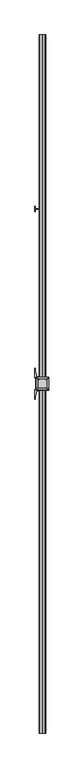
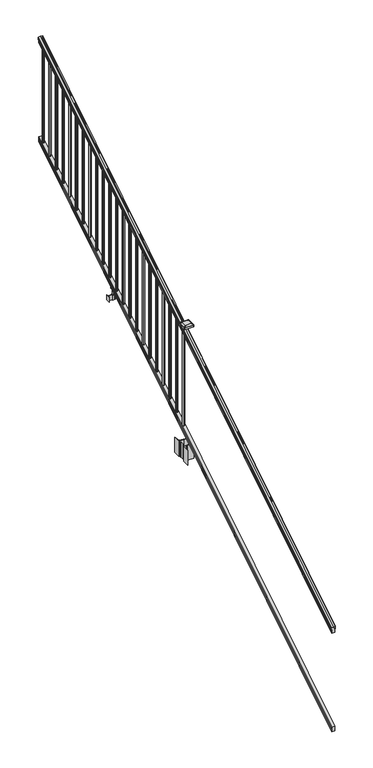
"""IFC4 building model written with IfcOpenShell, lengths in millimetres: railing geometry."""

from ifc_helpers import new_model, si_unit, point, frame, frame_2d, origin, place, context, project, spatial, polyline, circle_curve, ellipse_curve, trimmed, segment, composite_curve, outline, extrude, faceted_brep, source, transform, mapped, element, save
from ifc_brep_helpers import plane_surface, cylinder_surface, revolved_surface, extruded_surface, advanced_brep


def railing_99fd5044(model_context):
    return source(origin(), model_context, "Body", "SolidModel", [
        advanced_brep(
        [(11261.7130321, -22300.2194681, 1285.6070492), (11261.7130321, -22300.2194681, 1287.8335658), (11262.8432184, -22300.2194681, 1289.6758543), (11262.8432184, -22300.2194681, 1298.1876358), (11262.193962, -22300.2194681, 1301.0572588), (11264.693962, -22300.2194681, 1306.1635509), (11266.1033045, -22300.2194681, 1308.1442021), (11266.5052035, -22300.2194681, 1309.4469579), (11266.5052034, -22300.2194681, 1311.0274846), (11264.9517561, -22300.2194681, 1312.8593836), (11244.2802034, -22300.2194681, 1312.8593836), (11223.6086506, -22300.2194681, 1312.8593836), (11222.0552034, -22300.2194681, 1311.0274846), (11222.0552034, -22300.2194681, 1309.4469579), (11222.4571023, -22300.2194681, 1308.1442021), (11223.8664447, -22300.2194681, 1306.1635509), (11226.3664447, -22300.2194681, 1301.0572588), (11225.7171883, -22300.2194681, 1298.1876358), (11225.7171883, -22300.2194681, 1289.6758543), (11226.8473746, -22300.2194681, 1287.8335658), (11226.8473746, -22300.2194681, 1285.6070492), (11229.4212034, -22300.2194681, 1285.6070492), (11229.4212034, -22300.2194681, 1273.225537), (11228.4052034, -22300.2194681, 1272.0274214), (11228.4052034, -22300.2194681, 1257.3), (11260.1552034, -22300.2194681, 1257.3), (11260.1552034, -22300.2194681, 1271.841318), (11259.1392034, -22300.2194681, 1273.0394336), (11259.1392034, -22300.2194681, 1285.6070492), (11261.7130321, -17423.4194681, 4333.6070492), (11259.1392034, -17423.4194681, 4333.6070492), (11259.1392034, -17423.4194681, 4321.0394336), (11260.1552034, -17423.4194681, 4319.841318), (11260.1552034, -17423.4194681, 4305.3), (11228.4052034, -17423.4194681, 4305.3), (11228.4052034, -17423.4194681, 4320.0274214), (11229.4212034, -17423.4194681, 4321.225537), (11229.4212034, -17423.4194681, 4333.6070492), (11226.8473746, -17423.4194681, 4333.6070492), (11226.8473746, -17423.4194681, 4335.8335658), (11225.7171883, -17423.4194681, 4337.6758543), (11225.7171883, -17423.4194681, 4346.1876358), (11226.3664447, -17423.4194681, 4349.0572588), (11223.8664447, -17423.4194681, 4354.1635509), (11222.4571023, -17423.4194681, 4356.1442021), (11222.0552033, -17423.4194681, 4357.4469579), (11222.0552034, -17423.4194681, 4359.0274846), (11223.6086506, -17423.4194681, 4360.8593836), (11244.2802034, -17423.4194681, 4360.8593836), (11264.9517561, -17423.4194681, 4360.8593836), (11266.5052034, -17423.4194681, 4359.0274846), (11266.5052034, -17423.4194681, 4357.4469579), (11266.1033045, -17423.4194681, 4356.1442021), (11264.693962, -17423.4194681, 4354.1635509), (11262.193962, -17423.4194681, 4349.0572588), (11262.8432184, -17423.4194681, 4346.1876358), (11262.8432184, -17423.4194681, 4337.6758543), (11261.7130321, -17423.4194681, 4335.8335658)],
        [
            (0, 1),
            (1, 2, ellipse_curve(frame((11255.3982788, -22300.2194681, 1294.6239405), z_axis=(0.0, -1.0, 0.0), x_axis=(0.0, 0.0, -1.0)), 10.0777926, 8.545951)),
            (2, 3, ellipse_curve(frame((11255.8353418, -22300.2194681, 1293.9317451), z_axis=(0.0, -1.0, 0.0), x_axis=(0.0, 0.0, -1.0)), 9.2955186, 7.882584)),
            (3, 4, ellipse_curve(frame((11266.3486659, -22300.2194681, 1300.8275077), z_axis=(0.0, 1.0, 0.0), x_axis=(0.0, 0.0, 1.0)), 4.9048088, 4.1592695)),
            (4, 5, ellipse_curve(frame((11267.6359725, -22300.2194681, 1300.7563208), z_axis=(0.0, 1.0, 0.0), x_axis=(0.0, 0.0, 1.0)), 6.4245301, 5.4479907)),
            (5, 6, ellipse_curve(frame((11266.402814, -22300.2194681, 1306.1602333), z_axis=(0.0, 1.0, 0.0), x_axis=(0.0, 0.0, 1.0)), 2.0151625, 1.7088543)),
            (6, 7, ellipse_curve(frame((11264.7859139, -22300.2194681, 1309.4469579), z_axis=(0.0, -1.0, 0.0), x_axis=(0.0, 0.0, -1.0)), 2.0274681, 1.7192895)),
            (7, 8),
            (8, 9, ellipse_curve(frame((11264.9517561, -22300.2194681, 1311.0274846), z_axis=(0.0, -1.0, 0.0), x_axis=(0.0, 0.0, -1.0)), 1.831899, 1.5534472)),
            (9, 10),
            (10, 11),
            (11, 12, ellipse_curve(frame((11223.6086506, -22300.2194681, 1311.0274846), z_axis=(0.0, -1.0, 0.0), x_axis=(0.0, 0.0, -1.0)), 1.831899, 1.5534472)),
            (12, 13),
            (13, 14, ellipse_curve(frame((11223.7744928, -22300.2194681, 1309.4469579), z_axis=(0.0, -1.0, 0.0), x_axis=(0.0, 0.0, -1.0)), 2.0274681, 1.7192895)),
            (14, 15, ellipse_curve(frame((11222.1575927, -22300.2194681, 1306.1602333), z_axis=(0.0, 1.0, 0.0), x_axis=(0.0, 0.0, 1.0)), 2.0151625, 1.7088543)),
            (15, 16, ellipse_curve(frame((11220.9244343, -22300.2194681, 1300.7563208), z_axis=(0.0, 1.0, 0.0), x_axis=(0.0, 0.0, 1.0)), 6.4245301, 5.4479907)),
            (16, 17, ellipse_curve(frame((11222.2117408, -22300.2194681, 1300.8275077), z_axis=(0.0, 1.0, 0.0), x_axis=(0.0, 0.0, 1.0)), 4.9048088, 4.1592695)),
            (17, 18, ellipse_curve(frame((11232.725065, -22300.2194681, 1293.9317451), z_axis=(0.0, -1.0, 0.0), x_axis=(0.0, 0.0, -1.0)), 9.2955186, 7.882584)),
            (18, 19, ellipse_curve(frame((11233.1621279, -22300.2194681, 1294.6239405), z_axis=(0.0, -1.0, 0.0), x_axis=(0.0, 0.0, -1.0)), 10.0777926, 8.545951)),
            (19, 20),
            (20, 21, ellipse_curve(frame((11228.134289, -22300.2194681, 1285.6070492), z_axis=(0.0, -1.0, 0.0), x_axis=(0.0, 0.0, -1.0)), 1.5175907, 1.2869144)),
            (21, 22),
            (22, 23),
            (23, 24),
            (24, 25),
            (25, 26),
            (26, 27),
            (27, 28),
            (28, 0, ellipse_curve(frame((11260.4261177, -22300.2194681, 1285.6070492), z_axis=(0.0, -1.0, 0.0), x_axis=(0.0, 0.0, -1.0)), 1.5175907, 1.2869144)),
            (29, 30, ellipse_curve(frame((11260.4261177, -17423.4194681, 4333.6070492), z_axis=(0.0, 1.0, 0.0), x_axis=(0.0, 0.0, -1.0)), 1.5175907, 1.2869144)),
            (30, 31),
            (31, 32),
            (32, 33),
            (33, 34),
            (34, 35),
            (35, 36),
            (36, 37),
            (37, 38, ellipse_curve(frame((11228.134289, -17423.4194681, 4333.6070492), z_axis=(0.0, 1.0, 0.0), x_axis=(0.0, 0.0, -1.0)), 1.5175907, 1.2869144)),
            (38, 39),
            (39, 40, ellipse_curve(frame((11233.1621279, -17423.4194681, 4342.6239405), z_axis=(0.0, 1.0, 0.0), x_axis=(0.0, 0.0, -1.0)), 10.0777926, 8.545951)),
            (40, 41, ellipse_curve(frame((11232.725065, -17423.4194681, 4341.9317451), z_axis=(0.0, 1.0, 0.0), x_axis=(0.0, 0.0, -1.0)), 9.2955186, 7.882584)),
            (41, 42, ellipse_curve(frame((11222.2117408, -17423.4194681, 4348.8275077), z_axis=(0.0, -1.0, 0.0), x_axis=(0.0, 0.0, 1.0)), 4.9048088, 4.1592695)),
            (42, 43, ellipse_curve(frame((11220.9244343, -17423.4194681, 4348.7563208), z_axis=(0.0, -1.0, 0.0), x_axis=(0.0, 0.0, 1.0)), 6.4245301, 5.4479907)),
            (43, 44, ellipse_curve(frame((11222.1575927, -17423.4194681, 4354.1602333), z_axis=(0.0, -1.0, 0.0), x_axis=(0.0, 0.0, 1.0)), 2.0151625, 1.7088543)),
            (44, 45, ellipse_curve(frame((11223.7744928, -17423.4194681, 4357.4469579), z_axis=(0.0, 1.0, 0.0), x_axis=(0.0, 0.0, -1.0)), 2.0274681, 1.7192895)),
            (45, 46),
            (46, 47, ellipse_curve(frame((11223.6086506, -17423.4194681, 4359.0274846), z_axis=(0.0, 1.0, 0.0), x_axis=(0.0, 0.0, -1.0)), 1.831899, 1.5534472)),
            (47, 48),
            (48, 49),
            (49, 50, ellipse_curve(frame((11264.9517561, -17423.4194681, 4359.0274846), z_axis=(0.0, 1.0, 0.0), x_axis=(0.0, 0.0, -1.0)), 1.831899, 1.5534472)),
            (50, 51),
            (51, 52, ellipse_curve(frame((11264.7859139, -17423.4194681, 4357.4469579), z_axis=(0.0, 1.0, 0.0), x_axis=(0.0, 0.0, -1.0)), 2.0274681, 1.7192895)),
            (52, 53, ellipse_curve(frame((11266.402814, -17423.4194681, 4354.1602333), z_axis=(0.0, -1.0, 0.0), x_axis=(0.0, 0.0, 1.0)), 2.0151625, 1.7088543)),
            (53, 54, ellipse_curve(frame((11267.6359725, -17423.4194681, 4348.7563208), z_axis=(0.0, -1.0, 0.0), x_axis=(0.0, 0.0, 1.0)), 6.4245301, 5.4479907)),
            (54, 55, ellipse_curve(frame((11266.3486659, -17423.4194681, 4348.8275077), z_axis=(0.0, -1.0, 0.0), x_axis=(0.0, 0.0, 1.0)), 4.9048088, 4.1592695)),
            (55, 56, ellipse_curve(frame((11255.8353418, -17423.4194681, 4341.9317451), z_axis=(0.0, 1.0, 0.0), x_axis=(0.0, 0.0, -1.0)), 9.2955186, 7.882584)),
            (56, 57, ellipse_curve(frame((11255.3982788, -17423.4194681, 4342.6239405), z_axis=(0.0, 1.0, 0.0), x_axis=(0.0, 0.0, -1.0)), 10.0777926, 8.545951)),
            (57, 29),
            (28, 30),
            (29, 0),
            (27, 31),
            (26, 32),
            (25, 33),
            (24, 34),
            (23, 35),
            (22, 36),
            (21, 37),
            (20, 38),
            (19, 39),
            (18, 40),
            (17, 41),
            (16, 42),
            (15, 43),
            (14, 44),
            (13, 45),
            (12, 46),
            (11, 47),
            (10, 48),
            (9, 49),
            (8, 50),
            (7, 51),
            (6, 52),
            (5, 53),
            (4, 54),
            (3, 55),
            (2, 56),
            (1, 57),
        ],
        [
            plane_surface(frame((11244.2802034, -22300.2194681, 1257.3), z_axis=(0.0, -1.0, 0.0), x_axis=(0.0, 0.0, 1.0))),
            plane_surface(frame((11244.2802034, -17423.4194681, 4305.3), z_axis=(0.0, 1.0, 0.0), x_axis=(0.0, 0.0, 1.0))),
            cylinder_surface(frame((11260.4261177, -22312.9417374, 1277.6556309), z_axis=(0.0, -0.8479983040051253, -0.5299989400031204), x_axis=(-1.0, 0.0, 0.0)), 1.2869144),
            plane_surface(frame((11259.1392034, -22300.2194681, 1273.0394336), z_axis=(1.0, 0.0, 0.0), x_axis=(0.0, 0.8479983040051252, 0.5299989400031204))),
            plane_surface(frame((11260.1552034, -22300.2194681, 1271.841318), z_axis=(0.707106781186539, -0.37476584449789385, 0.5996253511967223), x_axis=(0.0, 0.8479983040051252, 0.5299989400031204))),
            plane_surface(frame((11260.1552034, -22300.2194681, 1257.3), z_axis=(1.0, 0.0, 0.0), x_axis=(0.0, 0.8479983040051252, 0.5299989400031204))),
            plane_surface(frame((11228.4052034, -22300.2194681, 1257.3), z_axis=(0.0, 0.5299989400031204, -0.8479983040051252), x_axis=(0.0, 0.8479983040051252, 0.5299989400031204))),
            plane_surface(frame((11228.4052034, -22300.2194681, 1272.0274214), z_axis=(-1.0000000000000002, 0.0, 0.0), x_axis=(0.0, 0.8479983040051253, 0.5299989400031204))),
            plane_surface(frame((11229.4212034, -22300.2194681, 1273.225537), z_axis=(-0.7071067811865435, -0.3747658444978901, 0.5996253511967193), x_axis=(0.0, 0.8479983040051252, 0.5299989400031204))),
            plane_surface(frame((11229.4212034, -22300.2194681, 1285.6070492), z_axis=(-1.0000000000000002, 0.0, 0.0), x_axis=(0.0, 0.8479983040051253, 0.5299989400031204))),
            cylinder_surface(frame((11228.134289, -22312.9417374, 1277.6556309), z_axis=(0.0, -0.8479983040051253, -0.5299989400031204), x_axis=(1.0, 0.0, 0.0)), 1.2869144),
            plane_surface(frame((11226.8473746, -22300.2194681, 1287.8335658), z_axis=(-1.0000000000000002, 0.0, 0.0), x_axis=(0.0, 0.8479983040051253, 0.5299989400031204))),
            cylinder_surface(frame((11233.1621279, -22316.9942728, 1284.1396876), z_axis=(0.0, -0.8479983040051253, -0.5299989400031204), x_axis=(1.0, 0.0, 0.0)), 8.545951),
            cylinder_surface(frame((11232.725065, -22316.6831737, 1283.641929), z_axis=(0.0, -0.8479983040051253, -0.5299989400031204), x_axis=(1.0, 0.0, 0.0)), 7.882584),
            revolved_surface(polyline([(11226.3710103, -17421.21505965035, 4350.205262980555), (11226.3710103, -22302.423876549437, 1299.4497524191004)]), (11222.2117408, -22319.7823929, 1288.6006797), (0.0, 0.8479983040051253, 0.5299989400031204)),
            revolved_surface(polyline([(11226.372425, -17420.53203883574, 4350.560964077184), (11226.372425, -22303.10689735281, 1298.9516775044929)]), (11220.9244343, -22319.7503988, 1288.5494891), (0.0, 0.8479983040051253, 0.5299989400031204)),
            revolved_surface(polyline([(11223.866447, -17422.513777099783, 4354.726290199655), (11223.866447, -22301.12515912247, 1305.594176435953)]), (11222.1575927, -22322.1791235, 1292.4354487), (0.0, 0.8479983040051253, 0.5299989400031204)),
            cylinder_surface(frame((11223.7744928, -22323.6563031, 1294.798936), z_axis=(0.0, -0.8479983040051253, -0.5299989400031204), x_axis=(1.0, 0.0, 0.0)), 1.7192895),
            plane_surface(frame((11222.0552034, -22300.2194681, 1311.0274846), z_axis=(-1.0000000000000002, 0.0, 0.0), x_axis=(0.0, 0.8479983040051253, 0.5299989400031204))),
            cylinder_surface(frame((11223.6086506, -22324.3666522, 1295.9354945), z_axis=(0.0, -0.8479983040051253, -0.5299989400031204), x_axis=(1.0, 0.0, 0.0)), 1.5534472),
            plane_surface(frame((11244.2802034, -22300.2194681, 1312.8593836), z_axis=(0.0, -0.5299989400031204, 0.8479983040051252), x_axis=(0.0, 0.8479983040051252, 0.5299989400031204))),
            plane_surface(frame((11264.9517561, -22300.2194681, 1312.8593836), z_axis=(0.0, -0.5299989400031204, 0.8479983040051252), x_axis=(0.0, 0.8479983040051252, 0.5299989400031204))),
            cylinder_surface(frame((11264.9517561, -22324.3666522, 1295.9354945), z_axis=(0.0, -0.8479983040051253, -0.5299989400031204), x_axis=(-1.0, 0.0, 0.0)), 1.5534472),
            plane_surface(frame((11266.5052034, -22300.2194681, 1309.4469579), z_axis=(1.0, 0.0, 0.0), x_axis=(0.0, 0.8479983040051252, 0.5299989400031204))),
            cylinder_surface(frame((11264.7859139, -22323.6563031, 1294.798936), z_axis=(0.0, -0.8479983040051253, -0.5299989400031204), x_axis=(-1.0, 0.0, 0.0)), 1.7192895),
            revolved_surface(polyline([(11264.693959699998, -17422.513777099783, 4354.726290199655), (11264.693959699998, -22301.12515912247, 1305.594176435953)]), (11266.402814, -22322.1791235, 1292.4354487), (0.0, 0.8479983040051253, 0.5299989400031204)),
            revolved_surface(polyline([(11262.1879818, -17420.53203883574, 4350.560964077184), (11262.1879818, -22303.10689735281, 1298.9516775044929)]), (11267.6359725, -22319.7503988, 1288.5494891), (0.0, 0.8479983040051253, 0.5299989400031204)),
            revolved_surface(polyline([(11262.1893964, -17421.21505965035, 4350.205262980555), (11262.1893964, -22302.423876549437, 1299.4497524191004)]), (11266.3486659, -22319.7823929, 1288.6006797), (0.0, 0.8479983040051253, 0.5299989400031204)),
            cylinder_surface(frame((11255.8353418, -22316.6831737, 1283.641929), z_axis=(0.0, -0.8479983040051253, -0.5299989400031204), x_axis=(-1.0, 0.0, 0.0)), 7.882584),
            cylinder_surface(frame((11255.3982788, -22316.9942728, 1284.1396876), z_axis=(0.0, -0.8479983040051253, -0.5299989400031204), x_axis=(-1.0, 0.0, 0.0)), 8.545951),
            plane_surface(frame((11261.7130321, -22300.2194681, 1285.6070492), z_axis=(1.0000000000000002, 0.0, 0.0), x_axis=(0.0, 0.8479983040051253, 0.5299989400031204))),
        ],
        [
            (0, [[1, 2, 3, 4, 5, 6, 7, 8, 9, 10, 11, 12, 13, 14, 15, 16, 17, 18, 19, 20, 21, 22, 23, 24, 25, 26, 27, 28, 29]]),
            (1, [[30, 31, 32, 33, 34, 35, 36, 37, 38, 39, 40, 41, 42, 43, 44, 45, 46, 47, 48, 49, 50, 51, 52, 53, 54, 55, 56, 57, 58]]),
            (2, [[-29, 59, -30, 60]]),
            (3, [[-28, 61, -31, -59]]),
            (4, [[-27, 62, -32, -61]]),
            (5, [[-26, 63, -33, -62]]),
            (6, [[-25, 64, -34, -63]]),
            (7, [[-24, 65, -35, -64]]),
            (8, [[-23, 66, -36, -65]]),
            (9, [[-22, 67, -37, -66]]),
            (10, [[-21, 68, -38, -67]]),
            (11, [[-20, 69, -39, -68]]),
            (12, [[-19, 70, -40, -69]]),
            (13, [[-18, 71, -41, -70]]),
            (14, [[-17, 72, -42, -71]]),
            (15, [[-16, 73, -43, -72]]),
            (16, [[-15, 74, -44, -73]]),
            (17, [[-14, 75, -45, -74]]),
            (18, [[-13, 76, -46, -75]]),
            (19, [[-12, 77, -47, -76]]),
            (20, [[-11, 78, -48, -77]]),
            (21, [[-10, 79, -49, -78]]),
            (22, [[-9, 80, -50, -79]]),
            (23, [[-8, 81, -51, -80]]),
            (24, [[-7, 82, -52, -81]]),
            (25, [[-6, 83, -53, -82]]),
            (26, [[-5, 84, -54, -83]]),
            (27, [[-4, 85, -55, -84]]),
            (28, [[-3, 86, -56, -85]]),
            (29, [[-2, 87, -57, -86]]),
            (30, [[-1, -60, -58, -87]]),
        ],
    ),
        faceted_brep([(11260.1926903, -22300.2194681, 268.8045079), (11259.1766903, -22300.2194681, 270.338026), (11259.1766903, -22300.2194681, 282.5545048), (11260.1926903, -22300.2194681, 284.1444579), (11260.1926903, -22300.2194681, 298.9244744), (11228.4426903, -22300.2194681, 298.9244744), (11228.4426903, -22300.2194681, 284.1248272), (11229.4586903, -22300.2194681, 282.5348741), (11229.4586903, -22300.2194681, 270.3748303), (11228.4426903, -22300.2194681, 268.7848772), (11228.4426903, -22300.2194681, 254.0), (11260.1926903, -22300.2194681, 254.0), (11260.1926903, -17423.4194681, 3316.8045079), (11260.1926903, -17423.4194681, 3302.0), (11228.4426903, -17423.4194681, 3302.0), (11228.4426903, -17423.4194681, 3316.7848772), (11229.4586903, -17423.4194681, 3318.3748303), (11229.4586903, -17423.4194681, 3330.5348741), (11228.4426903, -17423.4194681, 3332.1248272), (11228.4426903, -17423.4194681, 3346.9244744), (11260.1926903, -17423.4194681, 3346.9244744), (11260.1926903, -17423.4194681, 3332.1444579), (11259.1766903, -17423.4194681, 3330.5545048), (11259.1766903, -17423.4194681, 3318.338026)], [[[0, 1, 2, 3, 4, 5, 6, 7, 8, 9, 10, 11]], [[12, 13, 14, 15, 16, 17, 18, 19, 20, 21, 22, 23]], [[0, 11, 13, 12]], [[11, 10, 14, 13]], [[10, 9, 15, 14]], [[9, 8, 16, 15]], [[8, 7, 17, 16]], [[7, 6, 18, 17]], [[6, 5, 19, 18]], [[5, 4, 20, 19]], [[4, 3, 21, 20]], [[3, 2, 22, 21]], [[2, 1, 23, 22]], [[1, 0, 12, 23]]]),
        extrude(outline(composite_curve([segment(trimmed(circle_curve(frame_2d((11244.2802034, -17470.6634681)), 9.525), [point((11253.8052034, -17470.6634681))], [point((11244.2802034, -17480.1884681))], False, "CARTESIAN"), True, "CONTINUOUS"), segment(trimmed(circle_curve(frame_2d((11244.2802034, -17470.6634681)), 9.525), [point((11244.2802034, -17480.1884681))], [point((11234.7552034, -17470.6634681))], False, "CARTESIAN"), True, "CONTINUOUS"), segment(trimmed(circle_curve(frame_2d((11244.2802034, -17470.6634681)), 9.525), [point((11234.7552034, -17470.6634681))], [point((11244.2802034, -17461.1384681))], False, "CARTESIAN"), True, "CONTINUOUS"), segment(trimmed(circle_curve(frame_2d((11244.2802034, -17470.6634681)), 9.525), [point((11244.2802034, -17461.1384681))], [point((11253.8052034, -17470.6634681))], False, "CARTESIAN"), True, "CONTINUOUS")], self_intersect=False)), frame((0.0, 0.0, 3310.5683781), z_axis=(0.0, 0.0, 1.0), x_axis=(1.0, 0.0, 0.0)), (0.0, 0.0, 1.0), 965.2041219),
        extrude(outline(composite_curve([segment(trimmed(circle_curve(frame_2d((11244.2802034, -17581.9154681)), 9.525), [point((11253.8052034, -17581.9154681))], [point((11244.2802034, -17591.4404681))], False, "CARTESIAN"), True, "CONTINUOUS"), segment(trimmed(circle_curve(frame_2d((11244.2802034, -17581.9154681)), 9.525), [point((11244.2802034, -17591.4404681))], [point((11234.7552034, -17581.9154681))], False, "CARTESIAN"), True, "CONTINUOUS"), segment(trimmed(circle_curve(frame_2d((11244.2802034, -17581.9154681)), 9.525), [point((11234.7552034, -17581.9154681))], [point((11244.2802034, -17572.3904681))], False, "CARTESIAN"), True, "CONTINUOUS"), segment(trimmed(circle_curve(frame_2d((11244.2802034, -17581.9154681)), 9.525), [point((11244.2802034, -17572.3904681))], [point((11253.8052034, -17581.9154681))], False, "CARTESIAN"), True, "CONTINUOUS")], self_intersect=False)), frame((0.0, 0.0, 3241.0358781), z_axis=(0.0, 0.0, 1.0), x_axis=(1.0, 0.0, 0.0)), (0.0, 0.0, 1.0), 965.2041219),
        extrude(outline(composite_curve([segment(trimmed(circle_curve(frame_2d((11244.2802034, -17693.1674681)), 9.525), [point((11253.8052034, -17693.1674681))], [point((11244.2802034, -17702.6924681))], False, "CARTESIAN"), True, "CONTINUOUS"), segment(trimmed(circle_curve(frame_2d((11244.2802034, -17693.1674681)), 9.525), [point((11244.2802034, -17702.6924681))], [point((11234.7552034, -17693.1674681))], False, "CARTESIAN"), True, "CONTINUOUS"), segment(trimmed(circle_curve(frame_2d((11244.2802034, -17693.1674681)), 9.525), [point((11234.7552034, -17693.1674681))], [point((11244.2802034, -17683.6424681))], False, "CARTESIAN"), True, "CONTINUOUS"), segment(trimmed(circle_curve(frame_2d((11244.2802034, -17693.1674681)), 9.525), [point((11244.2802034, -17683.6424681))], [point((11253.8052034, -17693.1674681))], False, "CARTESIAN"), True, "CONTINUOUS")], self_intersect=False)), frame((0.0, 0.0, 3171.5033781), z_axis=(0.0, 0.0, 1.0), x_axis=(1.0, 0.0, 0.0)), (0.0, 0.0, 1.0), 965.2041219),
        extrude(outline(composite_curve([segment(trimmed(circle_curve(frame_2d((11244.2802034, -17804.4194681)), 9.525), [point((11253.8052034, -17804.4194681))], [point((11244.2802034, -17813.9444681))], False, "CARTESIAN"), True, "CONTINUOUS"), segment(trimmed(circle_curve(frame_2d((11244.2802034, -17804.4194681)), 9.525), [point((11244.2802034, -17813.9444681))], [point((11234.7552034, -17804.4194681))], False, "CARTESIAN"), True, "CONTINUOUS"), segment(trimmed(circle_curve(frame_2d((11244.2802034, -17804.4194681)), 9.525), [point((11234.7552034, -17804.4194681))], [point((11244.2802034, -17794.8944681))], False, "CARTESIAN"), True, "CONTINUOUS"), segment(trimmed(circle_curve(frame_2d((11244.2802034, -17804.4194681)), 9.525), [point((11244.2802034, -17794.8944681))], [point((11253.8052034, -17804.4194681))], False, "CARTESIAN"), True, "CONTINUOUS")], self_intersect=False)), frame((0.0, 0.0, 3101.9708781), z_axis=(0.0, 0.0, 1.0), x_axis=(1.0, 0.0, 0.0)), (0.0, 0.0, 1.0), 965.2041219),
        extrude(outline(composite_curve([segment(trimmed(circle_curve(frame_2d((11244.2802034, -17915.6714681)), 9.525), [point((11253.8052034, -17915.6714681))], [point((11244.2802034, -17925.1964681))], False, "CARTESIAN"), True, "CONTINUOUS"), segment(trimmed(circle_curve(frame_2d((11244.2802034, -17915.6714681)), 9.525), [point((11244.2802034, -17925.1964681))], [point((11234.7552034, -17915.6714681))], False, "CARTESIAN"), True, "CONTINUOUS"), segment(trimmed(circle_curve(frame_2d((11244.2802034, -17915.6714681)), 9.525), [point((11234.7552034, -17915.6714681))], [point((11244.2802034, -17906.1464681))], False, "CARTESIAN"), True, "CONTINUOUS"), segment(trimmed(circle_curve(frame_2d((11244.2802034, -17915.6714681)), 9.525), [point((11244.2802034, -17906.1464681))], [point((11253.8052034, -17915.6714681))], False, "CARTESIAN"), True, "CONTINUOUS")], self_intersect=False)), frame((0.0, 0.0, 3032.4383781), z_axis=(0.0, 0.0, 1.0), x_axis=(1.0, 0.0, 0.0)), (0.0, 0.0, 1.0), 965.2041219),
        extrude(outline(composite_curve([segment(trimmed(circle_curve(frame_2d((11244.2802034, -18026.9234681)), 9.525), [point((11253.8052034, -18026.9234681))], [point((11244.2802034, -18036.4484681))], False, "CARTESIAN"), True, "CONTINUOUS"), segment(trimmed(circle_curve(frame_2d((11244.2802034, -18026.9234681)), 9.525), [point((11244.2802034, -18036.4484681))], [point((11234.7552034, -18026.9234681))], False, "CARTESIAN"), True, "CONTINUOUS"), segment(trimmed(circle_curve(frame_2d((11244.2802034, -18026.9234681)), 9.525), [point((11234.7552034, -18026.9234681))], [point((11244.2802034, -18017.3984681))], False, "CARTESIAN"), True, "CONTINUOUS"), segment(trimmed(circle_curve(frame_2d((11244.2802034, -18026.9234681)), 9.525), [point((11244.2802034, -18017.3984681))], [point((11253.8052034, -18026.9234681))], False, "CARTESIAN"), True, "CONTINUOUS")], self_intersect=False)), frame((0.0, 0.0, 2962.9058781), z_axis=(0.0, 0.0, 1.0), x_axis=(1.0, 0.0, 0.0)), (0.0, 0.0, 1.0), 965.2041219),
        extrude(outline(composite_curve([segment(trimmed(circle_curve(frame_2d((11244.2802034, -18138.1754681)), 9.525), [point((11253.8052034, -18138.1754681))], [point((11244.2802034, -18147.7004681))], False, "CARTESIAN"), True, "CONTINUOUS"), segment(trimmed(circle_curve(frame_2d((11244.2802034, -18138.1754681)), 9.525), [point((11244.2802034, -18147.7004681))], [point((11234.7552034, -18138.1754681))], False, "CARTESIAN"), True, "CONTINUOUS"), segment(trimmed(circle_curve(frame_2d((11244.2802034, -18138.1754681)), 9.525), [point((11234.7552034, -18138.1754681))], [point((11244.2802034, -18128.6504681))], False, "CARTESIAN"), True, "CONTINUOUS"), segment(trimmed(circle_curve(frame_2d((11244.2802034, -18138.1754681)), 9.525), [point((11244.2802034, -18128.6504681))], [point((11253.8052034, -18138.1754681))], False, "CARTESIAN"), True, "CONTINUOUS")], self_intersect=False)), frame((0.0, 0.0, 2893.3733781), z_axis=(0.0, 0.0, 1.0), x_axis=(1.0, 0.0, 0.0)), (0.0, 0.0, 1.0), 965.2041219),
        extrude(outline(composite_curve([segment(trimmed(circle_curve(frame_2d((11244.2802034, -18249.4274681)), 9.525), [point((11253.8052034, -18249.4274681))], [point((11244.2802034, -18258.9524681))], False, "CARTESIAN"), True, "CONTINUOUS"), segment(trimmed(circle_curve(frame_2d((11244.2802034, -18249.4274681)), 9.525), [point((11244.2802034, -18258.9524681))], [point((11234.7552034, -18249.4274681))], False, "CARTESIAN"), True, "CONTINUOUS"), segment(trimmed(circle_curve(frame_2d((11244.2802034, -18249.4274681)), 9.525), [point((11234.7552034, -18249.4274681))], [point((11244.2802034, -18239.9024681))], False, "CARTESIAN"), True, "CONTINUOUS"), segment(trimmed(circle_curve(frame_2d((11244.2802034, -18249.4274681)), 9.525), [point((11244.2802034, -18239.9024681))], [point((11253.8052034, -18249.4274681))], False, "CARTESIAN"), True, "CONTINUOUS")], self_intersect=False)), frame((0.0, 0.0, 2823.8408781), z_axis=(0.0, 0.0, 1.0), x_axis=(1.0, 0.0, 0.0)), (0.0, 0.0, 1.0), 965.2041219),
        extrude(outline(composite_curve([segment(trimmed(circle_curve(frame_2d((11244.2802034, -18360.6794681)), 9.525), [point((11253.8052034, -18360.6794681))], [point((11244.2802034, -18370.2044681))], False, "CARTESIAN"), True, "CONTINUOUS"), segment(trimmed(circle_curve(frame_2d((11244.2802034, -18360.6794681)), 9.525), [point((11244.2802034, -18370.2044681))], [point((11234.7552034, -18360.6794681))], False, "CARTESIAN"), True, "CONTINUOUS"), segment(trimmed(circle_curve(frame_2d((11244.2802034, -18360.6794681)), 9.525), [point((11234.7552034, -18360.6794681))], [point((11244.2802034, -18351.1544681))], False, "CARTESIAN"), True, "CONTINUOUS"), segment(trimmed(circle_curve(frame_2d((11244.2802034, -18360.6794681)), 9.525), [point((11244.2802034, -18351.1544681))], [point((11253.8052034, -18360.6794681))], False, "CARTESIAN"), True, "CONTINUOUS")], self_intersect=False)), frame((0.0, 0.0, 2754.3083781), z_axis=(0.0, 0.0, 1.0), x_axis=(1.0, 0.0, 0.0)), (0.0, 0.0, 1.0), 965.2041219),
        extrude(outline(composite_curve([segment(trimmed(circle_curve(frame_2d((11244.2802034, -18471.9314681)), 9.525), [point((11253.8052034, -18471.9314681))], [point((11244.2802034, -18481.4564681))], False, "CARTESIAN"), True, "CONTINUOUS"), segment(trimmed(circle_curve(frame_2d((11244.2802034, -18471.9314681)), 9.525), [point((11244.2802034, -18481.4564681))], [point((11234.7552034, -18471.9314681))], False, "CARTESIAN"), True, "CONTINUOUS"), segment(trimmed(circle_curve(frame_2d((11244.2802034, -18471.9314681)), 9.525), [point((11234.7552034, -18471.9314681))], [point((11244.2802034, -18462.4064681))], False, "CARTESIAN"), True, "CONTINUOUS"), segment(trimmed(circle_curve(frame_2d((11244.2802034, -18471.9314681)), 9.525), [point((11244.2802034, -18462.4064681))], [point((11253.8052034, -18471.9314681))], False, "CARTESIAN"), True, "CONTINUOUS")], self_intersect=False)), frame((0.0, 0.0, 2684.7758781), z_axis=(0.0, 0.0, 1.0), x_axis=(1.0, 0.0, 0.0)), (0.0, 0.0, 1.0), 965.2041219),
        extrude(outline(composite_curve([segment(trimmed(circle_curve(frame_2d((11244.2802034, -18583.1834681)), 9.525), [point((11253.8052034, -18583.1834681))], [point((11244.2802034, -18592.7084681))], False, "CARTESIAN"), True, "CONTINUOUS"), segment(trimmed(circle_curve(frame_2d((11244.2802034, -18583.1834681)), 9.525), [point((11244.2802034, -18592.7084681))], [point((11234.7552034, -18583.1834681))], False, "CARTESIAN"), True, "CONTINUOUS"), segment(trimmed(circle_curve(frame_2d((11244.2802034, -18583.1834681)), 9.525), [point((11234.7552034, -18583.1834681))], [point((11244.2802034, -18573.6584681))], False, "CARTESIAN"), True, "CONTINUOUS"), segment(trimmed(circle_curve(frame_2d((11244.2802034, -18583.1834681)), 9.525), [point((11244.2802034, -18573.6584681))], [point((11253.8052034, -18583.1834681))], False, "CARTESIAN"), True, "CONTINUOUS")], self_intersect=False)), frame((0.0, 0.0, 2615.2433781), z_axis=(0.0, 0.0, 1.0), x_axis=(1.0, 0.0, 0.0)), (0.0, 0.0, 1.0), 965.2041219),
        extrude(outline(polyline([(11233.6122036, -18640.0794681), (11194.2422034, -18640.0794681), (11194.2422034, -18637.5394681), (11233.6122036, -18637.5394681), (11233.6122036, -18640.0794681)])), frame((0.0, 0.0, 2428.08125), z_axis=(0.0, 0.0, 1.0), x_axis=(1.0, 0.0, 0.0)), (0.0, 0.0, 1.0), 50.8),
        extrude(outline(polyline([(11194.2422034, -18657.8594681), (11191.7022034, -18657.8594681), (11191.7022034, -18619.7594681), (11194.2422034, -18619.7594681), (11194.2422034, -18657.8594681)])), frame((0.0, 0.0, 2428.08125), z_axis=(0.0, 0.0, 1.0), x_axis=(1.0, 0.0, 0.0)), (0.0, 0.0, 1.0), 50.8),
        extrude(outline(polyline([(11254.9482041, -18648.7154681), (11233.6122036, -18648.7154681), (11233.6122036, -18628.9034681), (11254.9482041, -18628.9034681), (11254.9482041, -18648.7154681)]), holes=[polyline([(11251.646204, -18646.1754681), (11251.646204, -18631.4434681), (11236.9142037, -18631.4434681), (11236.9142037, -18646.1754681), (11251.646204, -18646.1754681)])]), frame((0.0, 0.0, 2428.08125), z_axis=(0.0, 0.0, 1.0), x_axis=(1.0, 0.0, 0.0)), (0.0, 0.0, 1.0), 50.8),
        extrude(outline(polyline([(2567.6016479, 11226.1192046), (2566.8396469, 11225.3572035), (2540.3492523, 11225.3572035), (2539.5872513, 11226.1192046), (2539.5872513, 11236.1522036), (2538.8252512, 11236.9142037), (2475.3252512, 11236.9142037), (2475.3252512, 11251.646204), (2538.8252512, 11251.646204), (2539.5872513, 11252.4082041), (2539.5872513, 11262.4412032), (2540.3492523, 11263.2032042), (2566.8396469, 11263.2032042), (2567.6016479, 11262.4412032), (2567.6016479, 11260.4092036), (2566.5856453, 11259.3932038), (2556.1498581, 11259.3932038), (2555.1338573, 11260.4092036), (2543.143251, 11260.4092036), (2542.3812519, 11259.6472044), (2542.3812519, 11228.9132033), (2543.143251, 11228.1512041), (2555.1338573, 11228.1512041), (2556.1498581, 11229.1672039), (2566.5856453, 11229.1672039), (2567.6016479, 11228.1512041), (2567.6016479, 11226.1192046)]), holes=[polyline([(2539.5872513, 11247.7092038), (2538.8252512, 11248.4712038), (2482.8182531, 11248.4712038), (2482.0562531, 11247.7092038), (2482.0562531, 11240.8512011), (2482.8182503, 11240.0892039), (2538.8252512, 11240.0892039), (2539.5872513, 11240.851204), (2539.5872513, 11247.7092038)])]), frame((0.0, -18646.1754681, 0.0), z_axis=(0.0, 1.0, 0.0), x_axis=(0.0, 0.0, 1.0)), (0.0, 0.0, 1.0), 14.732),
        extrude(outline(composite_curve([segment(trimmed(circle_curve(frame_2d((11244.2802034, -18694.4354681)), 9.525), [point((11253.8052034, -18694.4354681))], [point((11244.2802034, -18703.9604681))], False, "CARTESIAN"), True, "CONTINUOUS"), segment(trimmed(circle_curve(frame_2d((11244.2802034, -18694.4354681)), 9.525), [point((11244.2802034, -18703.9604681))], [point((11234.7552034, -18694.4354681))], False, "CARTESIAN"), True, "CONTINUOUS"), segment(trimmed(circle_curve(frame_2d((11244.2802034, -18694.4354681)), 9.525), [point((11234.7552034, -18694.4354681))], [point((11244.2802034, -18684.9104681))], False, "CARTESIAN"), True, "CONTINUOUS"), segment(trimmed(circle_curve(frame_2d((11244.2802034, -18694.4354681)), 9.525), [point((11244.2802034, -18684.9104681))], [point((11253.8052034, -18694.4354681))], False, "CARTESIAN"), True, "CONTINUOUS")], self_intersect=False)), frame((0.0, 0.0, 2545.7108781), z_axis=(0.0, 0.0, 1.0), x_axis=(1.0, 0.0, 0.0)), (0.0, 0.0, 1.0), 965.2041219),
        extrude(outline(composite_curve([segment(trimmed(circle_curve(frame_2d((11244.2802034, -18805.6874681)), 9.525), [point((11253.8052034, -18805.6874681))], [point((11244.2802034, -18815.2124681))], False, "CARTESIAN"), True, "CONTINUOUS"), segment(trimmed(circle_curve(frame_2d((11244.2802034, -18805.6874681)), 9.525), [point((11244.2802034, -18815.2124681))], [point((11234.7552034, -18805.6874681))], False, "CARTESIAN"), True, "CONTINUOUS"), segment(trimmed(circle_curve(frame_2d((11244.2802034, -18805.6874681)), 9.525), [point((11234.7552034, -18805.6874681))], [point((11244.2802034, -18796.1624681))], False, "CARTESIAN"), True, "CONTINUOUS"), segment(trimmed(circle_curve(frame_2d((11244.2802034, -18805.6874681)), 9.525), [point((11244.2802034, -18796.1624681))], [point((11253.8052034, -18805.6874681))], False, "CARTESIAN"), True, "CONTINUOUS")], self_intersect=False)), frame((0.0, 0.0, 2476.1783781), z_axis=(0.0, 0.0, 1.0), x_axis=(1.0, 0.0, 0.0)), (0.0, 0.0, 1.0), 965.2041219),
        extrude(outline(composite_curve([segment(trimmed(circle_curve(frame_2d((11244.2802034, -18916.9394681)), 9.525), [point((11253.8052034, -18916.9394681))], [point((11244.2802034, -18926.4644681))], False, "CARTESIAN"), True, "CONTINUOUS"), segment(trimmed(circle_curve(frame_2d((11244.2802034, -18916.9394681)), 9.525), [point((11244.2802034, -18926.4644681))], [point((11234.7552034, -18916.9394681))], False, "CARTESIAN"), True, "CONTINUOUS"), segment(trimmed(circle_curve(frame_2d((11244.2802034, -18916.9394681)), 9.525), [point((11234.7552034, -18916.9394681))], [point((11244.2802034, -18907.4144681))], False, "CARTESIAN"), True, "CONTINUOUS"), segment(trimmed(circle_curve(frame_2d((11244.2802034, -18916.9394681)), 9.525), [point((11244.2802034, -18907.4144681))], [point((11253.8052034, -18916.9394681))], False, "CARTESIAN"), True, "CONTINUOUS")], self_intersect=False)), frame((0.0, 0.0, 2406.6458781), z_axis=(0.0, 0.0, 1.0), x_axis=(1.0, 0.0, 0.0)), (0.0, 0.0, 1.0), 965.2041219),
        extrude(outline(composite_curve([segment(trimmed(circle_curve(frame_2d((11244.2802034, -19028.1914681)), 9.525), [point((11253.8052034, -19028.1914681))], [point((11244.2802034, -19037.7164681))], False, "CARTESIAN"), True, "CONTINUOUS"), segment(trimmed(circle_curve(frame_2d((11244.2802034, -19028.1914681)), 9.525), [point((11244.2802034, -19037.7164681))], [point((11234.7552034, -19028.1914681))], False, "CARTESIAN"), True, "CONTINUOUS"), segment(trimmed(circle_curve(frame_2d((11244.2802034, -19028.1914681)), 9.525), [point((11234.7552034, -19028.1914681))], [point((11244.2802034, -19018.6664681))], False, "CARTESIAN"), True, "CONTINUOUS"), segment(trimmed(circle_curve(frame_2d((11244.2802034, -19028.1914681)), 9.525), [point((11244.2802034, -19018.6664681))], [point((11253.8052034, -19028.1914681))], False, "CARTESIAN"), True, "CONTINUOUS")], self_intersect=False)), frame((0.0, 0.0, 2337.1133781), z_axis=(0.0, 0.0, 1.0), x_axis=(1.0, 0.0, 0.0)), (0.0, 0.0, 1.0), 965.2041219),
        extrude(outline(composite_curve([segment(trimmed(circle_curve(frame_2d((11244.2802034, -19139.4434681)), 9.525), [point((11253.8052034, -19139.4434681))], [point((11244.2802034, -19148.9684681))], False, "CARTESIAN"), True, "CONTINUOUS"), segment(trimmed(circle_curve(frame_2d((11244.2802034, -19139.4434681)), 9.525), [point((11244.2802034, -19148.9684681))], [point((11234.7552034, -19139.4434681))], False, "CARTESIAN"), True, "CONTINUOUS"), segment(trimmed(circle_curve(frame_2d((11244.2802034, -19139.4434681)), 9.525), [point((11234.7552034, -19139.4434681))], [point((11244.2802034, -19129.9184681))], False, "CARTESIAN"), True, "CONTINUOUS"), segment(trimmed(circle_curve(frame_2d((11244.2802034, -19139.4434681)), 9.525), [point((11244.2802034, -19129.9184681))], [point((11253.8052034, -19139.4434681))], False, "CARTESIAN"), True, "CONTINUOUS")], self_intersect=False)), frame((0.0, 0.0, 2267.5808781), z_axis=(0.0, 0.0, 1.0), x_axis=(1.0, 0.0, 0.0)), (0.0, 0.0, 1.0), 965.2041219),
        extrude(outline(composite_curve([segment(trimmed(circle_curve(frame_2d((11244.2802034, -19250.6954681)), 9.525), [point((11253.8052034, -19250.6954681))], [point((11244.2802034, -19260.2204681))], False, "CARTESIAN"), True, "CONTINUOUS"), segment(trimmed(circle_curve(frame_2d((11244.2802034, -19250.6954681)), 9.525), [point((11244.2802034, -19260.2204681))], [point((11234.7552034, -19250.6954681))], False, "CARTESIAN"), True, "CONTINUOUS"), segment(trimmed(circle_curve(frame_2d((11244.2802034, -19250.6954681)), 9.525), [point((11234.7552034, -19250.6954681))], [point((11244.2802034, -19241.1704681))], False, "CARTESIAN"), True, "CONTINUOUS"), segment(trimmed(circle_curve(frame_2d((11244.2802034, -19250.6954681)), 9.525), [point((11244.2802034, -19241.1704681))], [point((11253.8052034, -19250.6954681))], False, "CARTESIAN"), True, "CONTINUOUS")], self_intersect=False)), frame((0.0, 0.0, 2198.0483781), z_axis=(0.0, 0.0, 1.0), x_axis=(1.0, 0.0, 0.0)), (0.0, 0.0, 1.0), 965.2041219),
        extrude(outline(composite_curve([segment(trimmed(circle_curve(frame_2d((11244.2802034, -19361.9474681)), 9.525), [point((11253.8052034, -19361.9474681))], [point((11244.2802034, -19371.4724681))], False, "CARTESIAN"), True, "CONTINUOUS"), segment(trimmed(circle_curve(frame_2d((11244.2802034, -19361.9474681)), 9.525), [point((11244.2802034, -19371.4724681))], [point((11234.7552034, -19361.9474681))], False, "CARTESIAN"), True, "CONTINUOUS"), segment(trimmed(circle_curve(frame_2d((11244.2802034, -19361.9474681)), 9.525), [point((11234.7552034, -19361.9474681))], [point((11244.2802034, -19352.4224681))], False, "CARTESIAN"), True, "CONTINUOUS"), segment(trimmed(circle_curve(frame_2d((11244.2802034, -19361.9474681)), 9.525), [point((11244.2802034, -19352.4224681))], [point((11253.8052034, -19361.9474681))], False, "CARTESIAN"), True, "CONTINUOUS")], self_intersect=False)), frame((0.0, 0.0, 2128.5158781), z_axis=(0.0, 0.0, 1.0), x_axis=(1.0, 0.0, 0.0)), (0.0, 0.0, 1.0), 965.2041219),
        extrude(outline(composite_curve([segment(trimmed(circle_curve(frame_2d((11244.2802034, -19473.1994681)), 9.525), [point((11253.8052034, -19473.1994681))], [point((11244.2802034, -19482.7244681))], False, "CARTESIAN"), True, "CONTINUOUS"), segment(trimmed(circle_curve(frame_2d((11244.2802034, -19473.1994681)), 9.525), [point((11244.2802034, -19482.7244681))], [point((11234.7552034, -19473.1994681))], False, "CARTESIAN"), True, "CONTINUOUS"), segment(trimmed(circle_curve(frame_2d((11244.2802034, -19473.1994681)), 9.525), [point((11234.7552034, -19473.1994681))], [point((11244.2802034, -19463.6744681))], False, "CARTESIAN"), True, "CONTINUOUS"), segment(trimmed(circle_curve(frame_2d((11244.2802034, -19473.1994681)), 9.525), [point((11244.2802034, -19463.6744681))], [point((11253.8052034, -19473.1994681))], False, "CARTESIAN"), True, "CONTINUOUS")], self_intersect=False)), frame((0.0, 0.0, 2058.9833781), z_axis=(0.0, 0.0, 1.0), x_axis=(1.0, 0.0, 0.0)), (0.0, 0.0, 1.0), 965.2041219),
        extrude(outline(composite_curve([segment(trimmed(circle_curve(frame_2d((11244.2802034, -19584.4514681)), 9.525), [point((11253.8052034, -19584.4514681))], [point((11244.2802034, -19593.9764681))], False, "CARTESIAN"), True, "CONTINUOUS"), segment(trimmed(circle_curve(frame_2d((11244.2802034, -19584.4514681)), 9.525), [point((11244.2802034, -19593.9764681))], [point((11234.7552034, -19584.4514681))], False, "CARTESIAN"), True, "CONTINUOUS"), segment(trimmed(circle_curve(frame_2d((11244.2802034, -19584.4514681)), 9.525), [point((11234.7552034, -19584.4514681))], [point((11244.2802034, -19574.9264681))], False, "CARTESIAN"), True, "CONTINUOUS"), segment(trimmed(circle_curve(frame_2d((11244.2802034, -19584.4514681)), 9.525), [point((11244.2802034, -19574.9264681))], [point((11253.8052034, -19584.4514681))], False, "CARTESIAN"), True, "CONTINUOUS")], self_intersect=False)), frame((0.0, 0.0, 1989.4508781), z_axis=(0.0, 0.0, 1.0), x_axis=(1.0, 0.0, 0.0)), (0.0, 0.0, 1.0), 965.2041219),
        extrude(outline(composite_curve([segment(trimmed(circle_curve(frame_2d((11244.2802034, -19695.7034681)), 9.525), [point((11253.8052034, -19695.7034681))], [point((11244.2802034, -19705.2284681))], False, "CARTESIAN"), True, "CONTINUOUS"), segment(trimmed(circle_curve(frame_2d((11244.2802034, -19695.7034681)), 9.525), [point((11244.2802034, -19705.2284681))], [point((11234.7552034, -19695.7034681))], False, "CARTESIAN"), True, "CONTINUOUS"), segment(trimmed(circle_curve(frame_2d((11244.2802034, -19695.7034681)), 9.525), [point((11234.7552034, -19695.7034681))], [point((11244.2802034, -19686.1784681))], False, "CARTESIAN"), True, "CONTINUOUS"), segment(trimmed(circle_curve(frame_2d((11244.2802034, -19695.7034681)), 9.525), [point((11244.2802034, -19686.1784681))], [point((11253.8052034, -19695.7034681))], False, "CARTESIAN"), True, "CONTINUOUS")], self_intersect=False)), frame((0.0, 0.0, 1919.9183781), z_axis=(0.0, 0.0, 1.0), x_axis=(1.0, 0.0, 0.0)), (0.0, 0.0, 1.0), 965.2041219),
        extrude(outline(composite_curve([segment(trimmed(circle_curve(frame_2d((11244.2802034, -19806.9554681)), 9.525), [point((11253.8052034, -19806.9554681))], [point((11244.2802034, -19816.4804681))], False, "CARTESIAN"), True, "CONTINUOUS"), segment(trimmed(circle_curve(frame_2d((11244.2802034, -19806.9554681)), 9.525), [point((11244.2802034, -19816.4804681))], [point((11234.7552034, -19806.9554681))], False, "CARTESIAN"), True, "CONTINUOUS"), segment(trimmed(circle_curve(frame_2d((11244.2802034, -19806.9554681)), 9.525), [point((11234.7552034, -19806.9554681))], [point((11244.2802034, -19797.4304681))], False, "CARTESIAN"), True, "CONTINUOUS"), segment(trimmed(circle_curve(frame_2d((11244.2802034, -19806.9554681)), 9.525), [point((11244.2802034, -19797.4304681))], [point((11253.8052034, -19806.9554681))], False, "CARTESIAN"), True, "CONTINUOUS")], self_intersect=False)), frame((0.0, 0.0, 1850.3858781), z_axis=(0.0, 0.0, 1.0), x_axis=(1.0, 0.0, 0.0)), (0.0, 0.0, 1.0), 965.2041219),
        extrude(outline(composite_curve([segment(polyline([(11287.0157034, -19876.665563), (11288.6032034, -19877.427563), (11288.6032034, -19900.229491), (11285.2302263, -19903.6024681), (11223.7705555, -19903.6024681), (11223.7705555, -19904.5232181), (11218.4530117, -19904.5232181), (11218.4530117, -19905.9774728), (11213.368482, -19905.9774728), (11213.368482, -19907.2614966), (11211.7012097, -19907.2614966)]), True, "CONTINUOUS"), segment(trimmed(circle_curve(frame_2d((11211.7012097, -19914.3209565)), 7.0594599), [point((11211.7012097, -19907.2614966))], [point((11204.9339468, -19912.3109498))], True, "CARTESIAN"), True, "CONTINUOUS"), segment(polyline([(11204.9339468, -19912.3109498), (11197.0597526, -19938.8216789)]), True, "CONTINUOUS"), segment(trimmed(circle_curve(frame_2d((11251.8442659, -19955.0937285)), 57.15), [point((11197.0597526, -19938.8216789))], [point((11194.6942659, -19955.0937285))], True, "CARTESIAN"), True, "CONTINUOUS"), segment(polyline([(11194.6942659, -19955.0937285), (11194.6942659, -19967.1024681), (11191.6942659, -19967.1024681), (11191.6942659, -19902.0149681), (11199.9572034, -19890.6766768), (11199.9572034, -19877.427563), (11201.5447034, -19876.665563), (11201.5447034, -19841.8933732), (11199.9572034, -19841.1313732), (11199.9572034, -19827.8822594), (11191.6942659, -19816.5439681), (11191.6942659, -19751.4564681), (11194.6942659, -19751.4564681), (11194.6942659, -19763.4652076)]), True, "CONTINUOUS"), segment(trimmed(circle_curve(frame_2d((11251.8442659, -19763.4652076)), 57.15), [point((11194.6942659, -19763.4652076))], [point((11197.0597526, -19779.7372573))], True, "CARTESIAN"), True, "CONTINUOUS"), segment(polyline([(11197.0597526, -19779.7372573), (11204.9339468, -19806.2479864)]), True, "CONTINUOUS"), segment(trimmed(circle_curve(frame_2d((11211.7012097, -19804.2379797)), 7.0594599), [point((11204.9339468, -19806.2479864))], [point((11211.7012097, -19811.2974396))], True, "CARTESIAN"), True, "CONTINUOUS"), segment(polyline([(11211.7012097, -19811.2974396), (11213.368482, -19811.2974396), (11213.368482, -19812.5814634), (11218.4530117, -19812.5814634), (11218.4530117, -19814.0357181), (11223.7705555, -19814.0357181), (11223.7705555, -19814.9564681), (11285.2302263, -19814.9564681), (11288.6032034, -19818.3294452), (11288.6032034, -19841.1313732), (11287.0157034, -19841.8933732), (11287.0157034, -19876.665563)]), True, "CONTINUOUS")], self_intersect=False), holes=[polyline([(11203.0052034, -19819.5919681), (11203.0052034, -19898.9669681), (11204.5927034, -19900.5544681), (11241.516986, -19900.5544681), (11283.9677034, -19900.5544681), (11285.5552034, -19898.9669681), (11285.5552034, -19819.5919681), (11283.9677034, -19818.0044681), (11241.516986, -19818.0044681), (11204.5927034, -19818.0044681), (11203.0052034, -19819.5919681)])]), frame((0.0, 0.0, 1563.6875), z_axis=(0.0, 0.0, 1.0), x_axis=(1.0, 0.0, 0.0)), (0.0, 0.0, 1.0), 152.4),
        advanced_brep(
        [(11218.4833284, -19888.2513431, 2928.426763), (11270.0770784, -19888.2513431, 2928.426763), (11273.2520784, -19885.0763431, 2928.426763), (11273.2520784, -19833.4825931, 2928.426763), (11270.0770784, -19830.3075931, 2928.426763), (11218.4833284, -19830.3075931, 2928.426763), (11215.3083284, -19833.4825931, 2928.426763), (11215.3083284, -19885.0763431, 2928.426763), (11202.2114534, -19904.5232181, 2917.123763), (11199.0364534, -19901.3482181, 2917.123763), (11199.0364534, -19817.2107181, 2917.123763), (11202.2114534, -19814.0357181, 2917.123763), (11286.3489534, -19814.0357181, 2917.123763), (11289.5239534, -19817.2107181, 2917.123763), (11289.5239534, -19901.3482181, 2917.123763), (11286.3489534, -19904.5232181, 2917.123763)],
        [
            (0, 1),
            (1, 2, circle_curve(frame((11270.0770784, -19885.0763431, 2928.426763), z_axis=(0.0, 0.0, 1.0), x_axis=(0.0, 1.0, 0.0)), 3.175)),
            (2, 3),
            (3, 4, circle_curve(frame((11270.0770784, -19833.4825931, 2928.426763), z_axis=(0.0, 0.0, 1.0), x_axis=(0.0, 1.0, 0.0)), 3.175)),
            (4, 5),
            (5, 6, circle_curve(frame((11218.4833284, -19833.4825931, 2928.426763), z_axis=(0.0, 0.0, 1.0), x_axis=(0.0, 1.0, 0.0)), 3.175)),
            (6, 7),
            (7, 0, circle_curve(frame((11218.4833284, -19885.0763431, 2928.426763), z_axis=(0.0, 0.0, 1.0), x_axis=(0.0, 1.0, 0.0)), 3.175)),
            (8, 9, circle_curve(frame((11202.2114534, -19901.3482181, 2917.123763), z_axis=(0.0, 0.0, -1.0), x_axis=(0.0, 1.0, 0.0)), 3.175)),
            (9, 10),
            (10, 11, circle_curve(frame((11202.2114534, -19817.2107181, 2917.123763), z_axis=(0.0, 0.0, -1.0), x_axis=(0.0, 1.0, 0.0)), 3.175)),
            (11, 12),
            (12, 13, circle_curve(frame((11286.3489534, -19817.2107181, 2917.123763), z_axis=(0.0, 0.0, -1.0), x_axis=(0.0, 1.0, 0.0)), 3.175)),
            (13, 14),
            (14, 15, circle_curve(frame((11286.3489534, -19901.3482181, 2917.123763), z_axis=(0.0, 0.0, -1.0), x_axis=(0.0, 1.0, 0.0)), 3.175)),
            (15, 8),
            (8, 0),
            (7, 9),
            (6, 10),
            (5, 11),
            (4, 12),
            (3, 13),
            (2, 14),
            (1, 15),
        ],
        [
            plane_surface(frame((11244.2802034, -19859.2794681, 2928.426763), z_axis=(0.0, 0.0, 1.0), x_axis=(-1.0, 0.0, 0.0))),
            plane_surface(frame((11244.2802034, -19859.2794681, 2917.123763), z_axis=(0.0, 0.0, -1.0), x_axis=(-1.0, 0.0, 0.0))),
            extruded_surface(trimmed(circle_curve(frame((11218.4833284, -19885.0763431, 2928.426763), z_axis=(0.0, 0.0, -1.0), x_axis=(0.0, 1.0, 0.0)), 3.175), [point((11218.4833284, -19888.2513431, 2928.426763))], [point((11215.3083284, -19885.0763431, 2928.426763))], True, "CARTESIAN"), (-16.271875000000364, -16.271874999998545, -11.302999999999884), 25.63797263886542),
            plane_surface(frame((11199.0364534, -19859.2794681, 2917.123763), z_axis=(-0.5705009161540778, 0.0, 0.8212969649690408), x_axis=(0.0, 1.0, 0.0))),
            extruded_surface(trimmed(circle_curve(frame((11218.4833284, -19833.4825931, 2928.426763), z_axis=(0.0, 0.0, -1.0), x_axis=(0.0, 1.0, 0.0)), 3.175), [point((11215.3083284, -19833.4825931, 2928.426763))], [point((11218.4833284, -19830.3075931, 2928.426763))], True, "CARTESIAN"), (-16.271875000000364, 16.271875000002183, -11.302999999999884), 25.637972638867726),
            plane_surface(frame((11244.2802034, -19814.0357181, 2917.123763), z_axis=(0.0, 0.5705009161540291, 0.8212969649690747), x_axis=(1.0, 0.0, 0.0))),
            extruded_surface(trimmed(circle_curve(frame((11270.0770784, -19833.4825931, 2928.426763), z_axis=(0.0, 0.0, -1.0), x_axis=(0.0, 1.0, 0.0)), 3.175), [point((11270.0770784, -19830.3075931, 2928.426763))], [point((11273.2520784, -19833.4825931, 2928.426763))], True, "CARTESIAN"), (16.271875000000364, 16.271875000002183, -11.302999999999884), 25.637972638867726),
            plane_surface(frame((11289.5239534, -19859.2794681, 2917.123763), z_axis=(0.5705009161540142, 0.0, 0.8212969649690851), x_axis=(0.0, -1.0, 0.0))),
            extruded_surface(trimmed(circle_curve(frame((11270.0770784, -19885.0763431, 2928.426763), z_axis=(0.0, 0.0, -1.0), x_axis=(0.0, 1.0, 0.0)), 3.175), [point((11273.2520784, -19885.0763431, 2928.426763))], [point((11270.0770784, -19888.2513431, 2928.426763))], True, "CARTESIAN"), (16.271875000000364, -16.271874999998545, -11.302999999999884), 25.63797263886542),
            plane_surface(frame((11244.2802034, -19904.5232181, 2917.123763), z_axis=(0.0, -0.570500916154034, 0.8212969649690713), x_axis=(-1.0, 0.0, 0.0))),
        ],
        [
            (0, [[1, 2, 3, 4, 5, 6, 7, 8]]),
            (1, [[9, 10, 11, 12, 13, 14, 15, 16]]),
            (2, [[17, -8, 18, -9]]),
            (3, [[-18, -7, 19, -10]]),
            (4, [[-19, -6, 20, -11]]),
            (5, [[-20, -5, 21, -12]]),
            (6, [[-21, -4, 22, -13]]),
            (7, [[-22, -3, 23, -14]]),
            (8, [[-23, -2, 24, -15]]),
            (9, [[-24, -1, -17, -16]]),
        ],
    ),
        extrude(outline(composite_curve([segment(trimmed(circle_curve(frame_2d((11202.2114534, -19901.3482181)), 3.175), [point((11202.2114534, -19904.5232181))], [point((11199.0364534, -19901.3482181))], False, "CARTESIAN"), True, "CONTINUOUS"), segment(polyline([(11199.0364534, -19901.3482181), (11199.0364534, -19817.2107181)]), True, "CONTINUOUS"), segment(trimmed(circle_curve(frame_2d((11202.2114534, -19817.2107181)), 3.175), [point((11199.0364534, -19817.2107181))], [point((11202.2114534, -19814.0357181))], False, "CARTESIAN"), True, "CONTINUOUS"), segment(polyline([(11202.2114534, -19814.0357181), (11286.3489534, -19814.0357181)]), True, "CONTINUOUS"), segment(trimmed(circle_curve(frame_2d((11286.3489534, -19817.2107181)), 3.175), [point((11286.3489534, -19814.0357181))], [point((11289.5239534, -19817.2107181))], False, "CARTESIAN"), True, "CONTINUOUS"), segment(polyline([(11289.5239534, -19817.2107181), (11289.5239534, -19901.3482181)]), True, "CONTINUOUS"), segment(trimmed(circle_curve(frame_2d((11286.3489534, -19901.3482181)), 3.175), [point((11289.5239534, -19901.3482181))], [point((11286.3489534, -19904.5232181))], False, "CARTESIAN"), True, "CONTINUOUS"), segment(polyline([(11286.3489534, -19904.5232181), (11202.2114534, -19904.5232181)]), True, "CONTINUOUS")], self_intersect=False)), frame((0.0, 0.0, 2899.851763), z_axis=(0.0, 0.0, 1.0), x_axis=(1.0, 0.0, 0.0)), (0.0, 0.0, 1.0), 17.272),
    ])


if __name__ == "__main__":
    model = new_model("IFC4")
    model_context = context("Model", 3, world=origin())
    ifc_project = project(units=[si_unit("LENGTHUNIT", "METRE", prefix="MILLI")], contexts=[model_context])
    site = spatial("IfcSite", under=ifc_project)
    building = spatial("IfcBuilding", under=site)
    placement = place(None, origin())
    railing_shape = railing_99fd5044(model_context)
    element("IfcRailing", 1, at=placement, inside=building, context=model_context, shape_type="MappedRepresentation", body=[
        mapped(railing_shape, transform((0.0, 0.0, 0.0), x_axis=(1.0, 0.0, 0.0), y_axis=(0.0, 1.0, 0.0), z_axis=(0.0, 0.0, 1.0))),
    ])
    save(model, "model.ifc")
